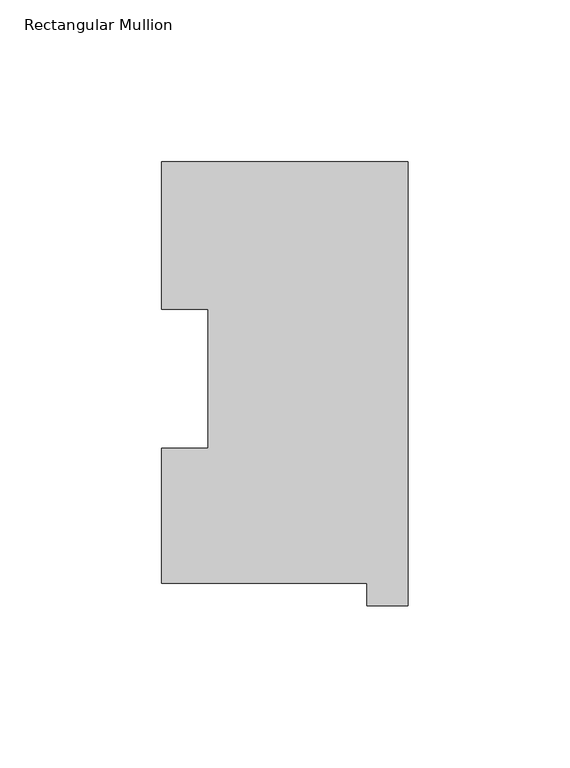
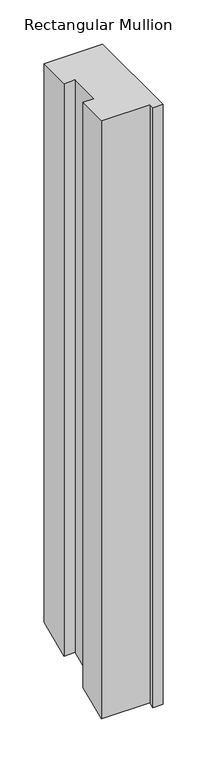
"""IFC4 building model written with IfcOpenShell, lengths in millimetres: member geometry, Rectangular Mullion."""

from ifc_helpers import new_model, si_unit, origin, place, context, project, spatial, faceted_brep, source, transform, mapped, element, save


def rectangular_mullion_2a9a92f6(model_context):
    return source(origin(), model_context, "Body", "Brep", [
        faceted_brep([(-76.2, 130.56235, 0.0), (-76.2, 84.93125, 0.0), (-61.9101579, 84.93125, 0.0), (-61.9101579, 42.0485036, 0.0), (-76.2, 42.0485036, 0.0), (-76.2, 0.26035, 0.0), (-12.7, 0.26035, 0.0), (-12.7, -6.64845, 0.0), (0.0, -6.64845, 0.0), (0.0, 130.56235, 0.0), (-76.2, 130.56235, -771.6788601), (-76.2, 84.93125, -790.5798806), (-61.9101579, 84.93125, -790.5798806), (-61.9101579, 42.0485036, -808.3424958), (-76.2, 42.0485036, -808.3424958), (-76.2, 0.26035, -825.6517157), (-12.7, 0.26035, -825.6517157), (-12.7, -6.64845, -828.5134344), (0.0, -6.64845, -828.5134344), (0.0, 130.56235, -771.6788601)], [[[0, 1, 2, 3, 4, 5, 6, 7, 8, 9]], [[1, 0, 10, 11]], [[2, 1, 11, 12]], [[3, 2, 12, 13]], [[4, 3, 13, 14]], [[5, 4, 14, 15]], [[6, 5, 15, 16]], [[7, 6, 16, 17]], [[8, 7, 17, 18]], [[9, 8, 18, 19]], [[0, 9, 19, 10]], [[10, 19, 18, 17, 16, 15, 14, 13, 12, 11]]]),
    ])


if __name__ == "__main__":
    model = new_model("IFC4")
    model_context = context("Model", 3, world=origin())
    ifc_project = project(units=[si_unit("LENGTHUNIT", "METRE", prefix="MILLI")], contexts=[model_context])
    site = spatial("IfcSite", under=ifc_project)
    building = spatial("IfcBuilding", under=site)
    placement = place(None, origin())
    rectangular_mullion_shape = rectangular_mullion_2a9a92f6(model_context)
    element("IfcMember", 1, ObjectType="Rectangular Mullion", at=placement, inside=building, context=model_context, shape_type="MappedRepresentation", body=[
        mapped(rectangular_mullion_shape, transform((0.0, 0.0, 0.0), x_axis=(1.0, 0.0, 0.0), y_axis=(0.0, 1.0, 0.0), z_axis=(0.0, 0.0, 1.0))),
    ])
    save(model, "model.ifc")
